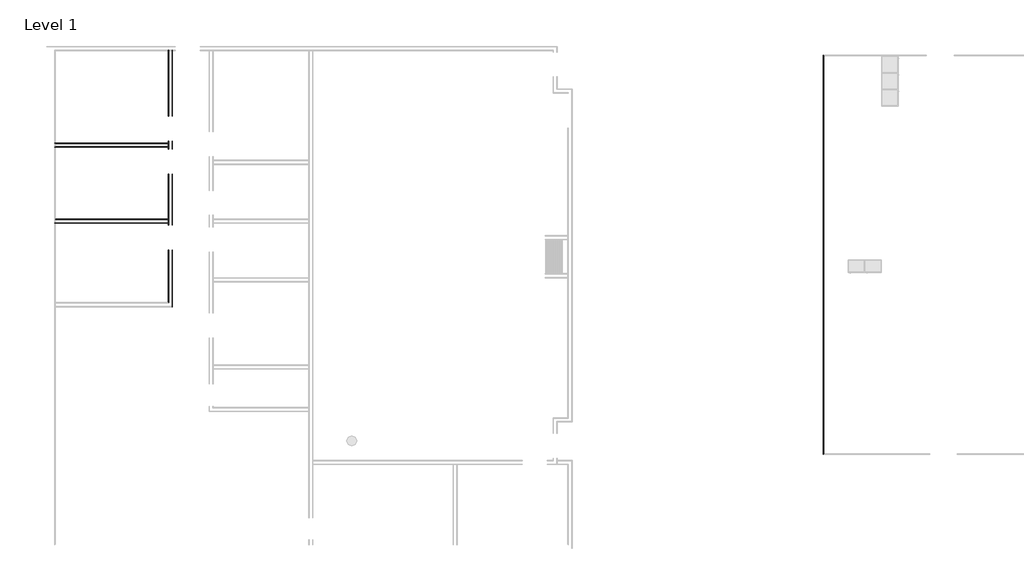
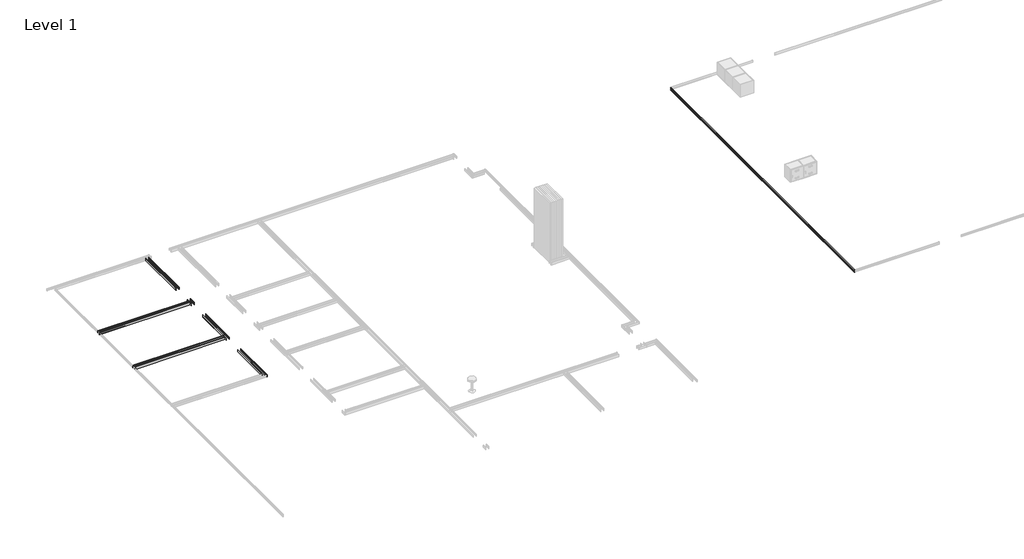
# One storey, part 40 of 51: 7 proxies.
"""IFC4 building model written with IfcOpenShell, lengths in millimetres."""

from ifc_helpers import new_model, si_unit, point, frame, frame_2d, origin, place, context, project, spatial, polyline, circle_curve, ellipse_curve, trimmed, segment, composite_curve, outline, extrude, element, save
from ifc_brep_helpers import plane_surface, cylinder_surface, advanced_brep

model = new_model("IFC4")

# Units and contexts
model_context = context("Model", 3, world=origin())
ifc_project = project(units=[si_unit("LENGTHUNIT", "METRE", prefix="MILLI")], contexts=[model_context])

# Site, building, storey
site = spatial("IfcSite", under=ifc_project)
building = spatial("IfcBuilding", under=site)
storey = spatial("IfcBuildingStorey", under=building, Name="Level 1", Elevation=0.0)

# Proxies
placement = place(None, origin())
element("IfcBuildingElementProxy", 1, Name="Wall Sweeps", at=placement, inside=storey, context=model_context, shape_type="AdvancedBrep", body=[
    advanced_brep(
    [(71618.953484, -15566.8432482, 22.1801656), (71615.5637805, -15566.8432482, 23.915644), (71615.5637805, -15566.8432482, 85.828144), (71618.953484, -15566.8432482, 87.5505545), (71618.953484, -15566.8432482, 107.95), (71607.840984, -15566.8432482, 107.95), (71604.665984, -15566.8432482, 104.775), (71604.665984, -15566.8432482, 0.0), (71618.953484, -15566.8432482, 0.0), (71618.953484, -13691.2176669, 22.1801656), (71618.953484, -13691.2176669, 0.0), (71604.665984, -13691.2176669, 0.0), (71604.665984, -13691.2176669, 104.775), (71607.840984, -13691.2176669, 107.95), (71618.953484, -13691.2176669, 107.95), (71618.953484, -13691.2176669, 87.5505545), (71615.5637805, -13691.2176669, 85.828144), (71615.5637805, -13691.2176669, 23.915644)],
    [
        (0, 1),
        (1, 2),
        (2, 3),
        (3, 4),
        (4, 5),
        (5, 6, circle_curve(frame((71607.840984, -15566.8432482, 104.775), z_axis=(0.0, -1.0, 0.0), x_axis=(-1.0, 0.0, 0.0)), 3.175)),
        (6, 7),
        (7, 8),
        (8, 0),
        (9, 10),
        (10, 11),
        (11, 12),
        (12, 13, circle_curve(frame((71607.840984, -13691.2176669, 104.775), z_axis=(0.0, 1.0, 0.0), x_axis=(-1.0, 0.0, 0.0)), 3.175)),
        (13, 14),
        (14, 15),
        (15, 16),
        (16, 17),
        (17, 9),
        (0, 9),
        (17, 1),
        (16, 2),
        (15, 3),
        (14, 4),
        (13, 5),
        (12, 6),
        (11, 7),
        (10, 8),
    ],
    [
        plane_surface(frame((71510.4330244, -15566.8432482, 0.0), z_axis=(0.0, -1.0, 0.0), x_axis=(0.0, 0.0, 1.0))),
        plane_surface(frame((71510.4330244, -13691.2176669, 0.0), z_axis=(0.0, 1.0, 0.0), x_axis=(0.0, 0.0, 1.0))),
        plane_surface(frame((71618.953484, -15566.8432482, 22.1801656), z_axis=(0.4557279043188856, 0.0, 0.8901191365346083), x_axis=(0.0, 1.0, 0.0))),
        plane_surface(frame((71615.5637805, -15566.8432482, 23.915644), z_axis=(1.0, 0.0, 0.0), x_axis=(0.0, 1.0, 0.0))),
        plane_surface(frame((71615.5637805, -15566.8432482, 85.828144), z_axis=(0.4530026868357818, 0.0, -0.8915091506650745), x_axis=(0.0, 1.0, 0.0))),
        plane_surface(frame((71618.953484, -15566.8432482, 87.5505545), z_axis=(1.0, 0.0, 0.0), x_axis=(0.0, 1.0, 0.0))),
        plane_surface(frame((71618.953484, -15566.8432482, 107.95), z_axis=(0.0, 0.0, 1.0), x_axis=(0.0, 1.0, 0.0))),
        cylinder_surface(frame((71607.840984, -15566.8432482, 104.775), z_axis=(0.0, -1.0, 0.0), x_axis=(-1.0, 0.0, 0.0)), 3.175),
        plane_surface(frame((71604.665984, -15566.8432482, 104.775), z_axis=(-1.0, 0.0, 0.0), x_axis=(0.0, 1.0, 0.0))),
        plane_surface(frame((71604.665984, -15566.8432482, 0.0), z_axis=(0.0, 0.0, -1.0), x_axis=(0.0, 1.0, 0.0))),
        plane_surface(frame((71618.953484, -15566.8432482, 0.0), z_axis=(1.0, 0.0, 0.0), x_axis=(0.0, 1.0, 0.0))),
    ],
    [
        (0, [[1, 2, 3, 4, 5, 6, 7, 8, 9]]),
        (1, [[10, 11, 12, 13, 14, 15, 16, 17, 18]]),
        (2, [[-1, 19, -18, 20]]),
        (3, [[-2, -20, -17, 21]]),
        (4, [[-3, -21, -16, 22]]),
        (5, [[-4, -22, -15, 23]]),
        (6, [[-5, -23, -14, 24]]),
        (7, [[-6, -24, -13, 25]]),
        (8, [[-7, -25, -12, 26]]),
        (9, [[-8, -26, -11, 27]]),
        (10, [[-9, -27, -10, -19]]),
    ],
),
    advanced_brep(
    [(71618.953484, -12776.8176669, 22.1801656), (71615.5637805, -12776.8176669, 23.915644), (71615.5637805, -12776.8176669, 85.828144), (71618.953484, -12776.8176669, 87.5505545), (71618.953484, -12776.8176669, 107.95), (71607.840984, -12776.8176669, 107.95), (71604.665984, -12776.8176669, 104.775), (71604.665984, -12776.8176669, 0.0), (71618.953484, -12776.8176669, 0.0), (71618.953484, -12472.0176669, 22.1801656), (71618.953484, -12472.0176669, 0.0), (71604.665984, -12472.0176669, 0.0), (71604.665984, -12472.0176669, 104.775), (71607.840984, -12472.0176669, 107.95), (71618.953484, -12472.0176669, 107.95), (71618.953484, -12472.0176669, 87.5505545), (71615.5637805, -12472.0176669, 85.828144), (71615.5637805, -12472.0176669, 23.915644)],
    [
        (0, 1),
        (1, 2),
        (2, 3),
        (3, 4),
        (4, 5),
        (5, 6, circle_curve(frame((71607.840984, -12776.8176669, 104.775), z_axis=(0.0, -1.0, 0.0), x_axis=(-1.0, 0.0, 0.0)), 3.175)),
        (6, 7),
        (7, 8),
        (8, 0),
        (9, 10),
        (10, 11),
        (11, 12),
        (12, 13, circle_curve(frame((71607.840984, -12472.0176669, 104.775), z_axis=(0.0, 1.0, 0.0), x_axis=(-1.0, 0.0, 0.0)), 3.175)),
        (13, 14),
        (14, 15),
        (15, 16),
        (16, 17),
        (17, 9),
        (0, 9),
        (17, 1),
        (16, 2),
        (15, 3),
        (14, 4),
        (13, 5),
        (12, 6),
        (11, 7),
        (10, 8),
    ],
    [
        plane_surface(frame((71510.4330244, -12776.8176669, 0.0), z_axis=(0.0, -1.0, 0.0), x_axis=(0.0, 0.0, 1.0))),
        plane_surface(frame((71510.4330244, -12472.0176669, 0.0), z_axis=(0.0, 1.0, 0.0), x_axis=(0.0, 0.0, 1.0))),
        plane_surface(frame((71618.953484, -12776.8176669, 22.1801656), z_axis=(0.4557279043188856, 0.0, 0.8901191365346083), x_axis=(0.0, 1.0, 0.0))),
        plane_surface(frame((71615.5637805, -12776.8176669, 23.915644), z_axis=(1.0, 0.0, 0.0), x_axis=(0.0, 1.0, 0.0))),
        plane_surface(frame((71615.5637805, -12776.8176669, 85.828144), z_axis=(0.4530026868357818, 0.0, -0.8915091506650745), x_axis=(0.0, 1.0, 0.0))),
        plane_surface(frame((71618.953484, -12776.8176669, 87.5505545), z_axis=(1.0, 0.0, 0.0), x_axis=(0.0, 1.0, 0.0))),
        plane_surface(frame((71618.953484, -12776.8176669, 107.95), z_axis=(0.0, 0.0, 1.0), x_axis=(0.0, 1.0, 0.0))),
        cylinder_surface(frame((71607.840984, -12776.8176669, 104.775), z_axis=(0.0, -1.0, 0.0), x_axis=(-1.0, 0.0, 0.0)), 3.175),
        plane_surface(frame((71604.665984, -12776.8176669, 104.775), z_axis=(-1.0, 0.0, 0.0), x_axis=(0.0, 1.0, 0.0))),
        plane_surface(frame((71604.665984, -12776.8176669, 0.0), z_axis=(0.0, 0.0, -1.0), x_axis=(0.0, 1.0, 0.0))),
        plane_surface(frame((71618.953484, -12776.8176669, 0.0), z_axis=(1.0, 0.0, 0.0), x_axis=(0.0, 1.0, 0.0))),
    ],
    [
        (0, [[1, 2, 3, 4, 5, 6, 7, 8, 9]]),
        (1, [[10, 11, 12, 13, 14, 15, 16, 17, 18]]),
        (2, [[-1, 19, -18, 20]]),
        (3, [[-2, -20, -17, 21]]),
        (4, [[-3, -21, -16, 22]]),
        (5, [[-4, -22, -15, 23]]),
        (6, [[-5, -23, -14, 24]]),
        (7, [[-6, -24, -13, 25]]),
        (8, [[-7, -25, -12, 26]]),
        (9, [[-8, -26, -11, 27]]),
        (10, [[-9, -27, -10, -19]]),
    ],
),
    advanced_brep(
    [(71618.953484, -11557.6176669, 22.1801656), (71615.5637805, -11557.6176669, 23.915644), (71615.5637805, -11557.6176669, 85.828144), (71618.953484, -11557.6176669, 87.5505545), (71618.953484, -11557.6176669, 107.95), (71607.840984, -11557.6176669, 107.95), (71604.665984, -11557.6176669, 104.775), (71604.665984, -11557.6176669, 0.0), (71618.953484, -11557.6176669, 0.0), (71618.953484, -9141.4426669, 22.1801656), (71618.953484, -9141.4426669, 0.0), (71604.665984, -9141.4426669, 0.0), (71604.665984, -9141.4426669, 104.775), (71607.840984, -9141.4426669, 107.95), (71618.953484, -9141.4426669, 107.95), (71618.953484, -9141.4426669, 87.5505545), (71615.5637805, -9141.4426669, 85.828144), (71615.5637805, -9141.4426669, 23.915644)],
    [
        (0, 1),
        (1, 2),
        (2, 3),
        (3, 4),
        (4, 5),
        (5, 6, circle_curve(frame((71607.840984, -11557.6176669, 104.775), z_axis=(0.0, -1.0, 0.0), x_axis=(-1.0, 0.0, 0.0)), 3.175)),
        (6, 7),
        (7, 8),
        (8, 0),
        (9, 10),
        (10, 11),
        (11, 12),
        (12, 13, circle_curve(frame((71607.840984, -9141.4426669, 104.775), z_axis=(0.0, 1.0, 0.0), x_axis=(-1.0, 0.0, 0.0)), 3.175)),
        (13, 14),
        (14, 15),
        (15, 16),
        (16, 17),
        (17, 9),
        (0, 9),
        (17, 1),
        (16, 2),
        (15, 3),
        (14, 4),
        (13, 5),
        (12, 6),
        (11, 7),
        (10, 8),
    ],
    [
        plane_surface(frame((71510.4330244, -11557.6176669, 0.0), z_axis=(0.0, -1.0, 0.0), x_axis=(0.0, 0.0, 1.0))),
        plane_surface(frame((71510.4330244, -9141.4426669, 0.0), z_axis=(0.0, 1.0, 0.0), x_axis=(0.0, 0.0, 1.0))),
        plane_surface(frame((71618.953484, -11557.6176669, 22.1801656), z_axis=(0.4557279043188856, 0.0, 0.8901191365346083), x_axis=(0.0, 1.0, 0.0))),
        plane_surface(frame((71615.5637805, -11557.6176669, 23.915644), z_axis=(1.0, 0.0, 0.0), x_axis=(0.0, 1.0, 0.0))),
        plane_surface(frame((71615.5637805, -11557.6176669, 85.828144), z_axis=(0.4530026868357818, 0.0, -0.8915091506650745), x_axis=(0.0, 1.0, 0.0))),
        plane_surface(frame((71618.953484, -11557.6176669, 87.5505545), z_axis=(1.0, 0.0, 0.0), x_axis=(0.0, 1.0, 0.0))),
        plane_surface(frame((71618.953484, -11557.6176669, 107.95), z_axis=(0.0, 0.0, 1.0), x_axis=(0.0, 1.0, 0.0))),
        cylinder_surface(frame((71607.840984, -11557.6176669, 104.775), z_axis=(0.0, -1.0, 0.0), x_axis=(-1.0, 0.0, 0.0)), 3.175),
        plane_surface(frame((71604.665984, -11557.6176669, 104.775), z_axis=(-1.0, 0.0, 0.0), x_axis=(0.0, 1.0, 0.0))),
        plane_surface(frame((71604.665984, -11557.6176669, 0.0), z_axis=(0.0, 0.0, -1.0), x_axis=(0.0, 1.0, 0.0))),
        plane_surface(frame((71618.953484, -11557.6176669, 0.0), z_axis=(1.0, 0.0, 0.0), x_axis=(0.0, 1.0, 0.0))),
    ],
    [
        (0, [[1, 2, 3, 4, 5, 6, 7, 8, 9]]),
        (1, [[10, 11, 12, 13, 14, 15, 16, 17, 18]]),
        (2, [[-1, 19, -18, 20]]),
        (3, [[-2, -20, -17, 21]]),
        (4, [[-3, -21, -16, 22]]),
        (5, [[-4, -22, -15, 23]]),
        (6, [[-5, -23, -14, 24]]),
        (7, [[-6, -24, -13, 25]]),
        (8, [[-7, -25, -12, 26]]),
        (9, [[-8, -26, -11, 27]]),
        (10, [[-9, -27, -10, -19]]),
    ],
),
    advanced_brep(
    [(71618.953484, -18426.7301669, 22.1801656), (71615.5637805, -18423.3404634, 23.915644), (71615.5637805, -18423.3404634, 85.828144), (71618.953484, -18426.7301669, 87.5505545), (71618.953484, -18426.7301669, 107.95), (71607.840984, -18415.6176669, 107.95), (71604.665984, -18412.4426669, 104.775), (71604.665984, -18412.4426669, 0.0), (71618.953484, -18426.7301669, 0.0), (71618.953484, -16481.2432482, 22.1801656), (71618.953484, -16481.2432482, 0.0), (71604.665984, -16481.2432482, 0.0), (71604.665984, -16481.2432482, 104.775), (71607.840984, -16481.2432482, 107.95), (71618.953484, -16481.2432482, 107.95), (71618.953484, -16481.2432482, 87.5505545), (71615.5637805, -16481.2432482, 85.828144), (71615.5637805, -16481.2432482, 23.915644)],
    [
        (0, 1),
        (1, 2),
        (2, 3),
        (3, 4),
        (4, 5),
        (5, 6, ellipse_curve(frame((71607.840984, -18415.6176669, 104.775), z_axis=(-0.7071067811865476, -0.7071067811865476, 0.0), x_axis=(0.7071067811865477, -0.7071067811865475, 0.0)), 4.4901281, 3.175)),
        (6, 7),
        (7, 8),
        (8, 0),
        (9, 10),
        (10, 11),
        (11, 12),
        (12, 13, circle_curve(frame((71607.840984, -16481.2432482, 104.775), z_axis=(0.0, 1.0, 0.0), x_axis=(-1.0, 0.0, 0.0)), 3.175)),
        (13, 14),
        (14, 15),
        (15, 16),
        (16, 17),
        (17, 9),
        (0, 9),
        (17, 1),
        (16, 2),
        (15, 3),
        (14, 4),
        (13, 5),
        (12, 6),
        (11, 7),
        (10, 8),
    ],
    [
        plane_surface(frame((71618.953484, -18426.7301669, -304.8), z_axis=(-0.7071067811865476, -0.7071067811865476, 0.0), x_axis=(-0.7071067811865476, 0.7071067811865476, 0.0))),
        plane_surface(frame((71510.4330244, -16481.2432482, 0.0), z_axis=(0.0, 1.0, 0.0), x_axis=(0.0, 0.0, 1.0))),
        plane_surface(frame((71618.953484, -18426.7301669, 22.1801656), z_axis=(0.4557279043188856, 0.0, 0.8901191365346083), x_axis=(0.0, 1.0, 0.0))),
        plane_surface(frame((71615.5637805, -18423.3404634, 23.915644), z_axis=(1.0, 0.0, 0.0), x_axis=(0.0, 1.0, 0.0))),
        plane_surface(frame((71615.5637805, -18423.3404634, 85.828144), z_axis=(0.4530026868357818, 0.0, -0.8915091506650745), x_axis=(0.0, 1.0, 0.0))),
        plane_surface(frame((71618.953484, -18426.7301669, 87.5505545), z_axis=(1.0, 0.0, 0.0), x_axis=(0.0, 1.0, 0.0))),
        plane_surface(frame((71618.953484, -18426.7301669, 107.95), z_axis=(0.0, 0.0, 1.0), x_axis=(0.0, 1.0, 0.0))),
        cylinder_surface(frame((71607.840984, -18426.7301669, 104.775), z_axis=(0.0, -1.0, 0.0), x_axis=(-1.0, 0.0, 0.0)), 3.175),
        plane_surface(frame((71604.665984, -18412.4426669, 104.775), z_axis=(-1.0, 0.0, 0.0), x_axis=(0.0, 1.0, 0.0))),
        plane_surface(frame((71604.665984, -18412.4426669, 0.0), z_axis=(0.0, 0.0, -1.0), x_axis=(0.0, 1.0, 0.0))),
        plane_surface(frame((71618.953484, -18426.7301669, 0.0), z_axis=(1.0, 0.0, 0.0), x_axis=(0.0, 1.0, 0.0))),
    ],
    [
        (0, [[1, 2, 3, 4, 5, 6, 7, 8, 9]]),
        (1, [[10, 11, 12, 13, 14, 15, 16, 17, 18]]),
        (2, [[-1, 19, -18, 20]]),
        (3, [[-2, -20, -17, 21]]),
        (4, [[-3, -21, -16, 22]]),
        (5, [[-4, -22, -15, 23]]),
        (6, [[-5, -23, -14, 24]]),
        (7, [[-6, -24, -13, 25]]),
        (8, [[-7, -25, -12, 26]]),
        (9, [[-8, -26, -11, 27]]),
        (10, [[-9, -27, -10, -19]]),
    ],
),
])
element("IfcBuildingElementProxy", 2, Name="Wall Sweeps", at=placement, inside=storey, context=model_context, shape_type="SweptSolid", body=[
    extrude(outline(composite_curve([segment(polyline([(-12686.3301669, 22.1801656), (-12686.3301669, 0.0), (-12700.6176669, 0.0), (-12700.6176669, 104.775)]), True, "CONTINUOUS"), segment(trimmed(circle_curve(frame_2d((-12697.4426669, 104.775)), 3.175), [point((-12700.6176669, 104.775))], [point((-12697.4426669, 107.95))], False, "CARTESIAN"), True, "CONTINUOUS"), segment(polyline([(-12697.4426669, 107.95), (-12686.3301669, 107.95), (-12686.3301669, 87.5505545), (-12689.7198704, 85.828144), (-12689.7198704, 23.915644), (-12686.3301669, 22.1801656)]), True, "CONTINUOUS")], self_intersect=False)), frame((67441.2021392, 0.0, 0.0), z_axis=(1.0, 0.0, 0.0), x_axis=(0.0, 1.0, 0.0)), (0.0, 0.0, 1.0), 4177.7513449),
])
element("IfcBuildingElementProxy", 3, Name="Wall Sweeps", at=placement, inside=storey, context=model_context, shape_type="SweptSolid", body=[
    extrude(outline(composite_curve([segment(polyline([(-15480.3301669, 22.1801656), (-15480.3301669, 0.0), (-15494.6176669, 0.0), (-15494.6176669, 104.775)]), True, "CONTINUOUS"), segment(trimmed(circle_curve(frame_2d((-15491.4426669, 104.775)), 3.175), [point((-15494.6176669, 104.775))], [point((-15491.4426669, 107.95))], False, "CARTESIAN"), True, "CONTINUOUS"), segment(polyline([(-15491.4426669, 107.95), (-15480.3301669, 107.95), (-15480.3301669, 87.5505545), (-15483.7198704, 85.828144), (-15483.7198704, 23.915644), (-15480.3301669, 22.1801656)]), True, "CONTINUOUS")], self_intersect=False)), frame((67441.2021392, 0.0, 0.0), z_axis=(1.0, 0.0, 0.0), x_axis=(0.0, 1.0, 0.0)), (0.0, 0.0, 1.0), 4177.7513449),
])
element("IfcBuildingElementProxy", 4, Name="Wall Sweeps", at=placement, inside=storey, context=model_context, shape_type="AdvancedBrep", body=[
    advanced_brep(
    [(71742.778484, -12776.8176669, 22.1801656), (71742.778484, -12776.8176669, 0.0), (71757.065984, -12776.8176669, 0.0), (71757.065984, -12776.8176669, 104.775), (71753.890984, -12776.8176669, 107.95), (71742.778484, -12776.8176669, 107.95), (71742.778484, -12776.8176669, 87.5505545), (71746.1681875, -12776.8176669, 85.828144), (71746.1681875, -12776.8176669, 23.915644), (71742.778484, -12472.0176669, 22.1801656), (71746.1681875, -12472.0176669, 23.915644), (71746.1681875, -12472.0176669, 85.828144), (71742.778484, -12472.0176669, 87.5505545), (71742.778484, -12472.0176669, 107.95), (71753.890984, -12472.0176669, 107.95), (71757.065984, -12472.0176669, 104.775), (71757.065984, -12472.0176669, 0.0), (71742.778484, -12472.0176669, 0.0)],
    [
        (0, 1),
        (1, 2),
        (2, 3),
        (3, 4, circle_curve(frame((71753.890984, -12776.8176669, 104.775), z_axis=(0.0, -1.0, 0.0), x_axis=(1.0, 0.0, 0.0)), 3.175)),
        (4, 5),
        (5, 6),
        (6, 7),
        (7, 8),
        (8, 0),
        (9, 10),
        (10, 11),
        (11, 12),
        (12, 13),
        (13, 14),
        (14, 15, circle_curve(frame((71753.890984, -12472.0176669, 104.775), z_axis=(0.0, 1.0, 0.0), x_axis=(1.0, 0.0, 0.0)), 3.175)),
        (15, 16),
        (16, 17),
        (17, 9),
        (0, 9),
        (17, 1),
        (16, 2),
        (15, 3),
        (14, 4),
        (13, 5),
        (12, 6),
        (11, 7),
        (10, 8),
    ],
    [
        plane_surface(frame((71634.2580244, -12776.8176669, 0.0), z_axis=(0.0, -1.0, 0.0), x_axis=(0.0, 0.0, 1.0))),
        plane_surface(frame((71634.2580244, -12472.0176669, 0.0), z_axis=(0.0, 1.0, 0.0), x_axis=(0.0, 0.0, 1.0))),
        plane_surface(frame((71742.778484, -12776.8176669, 22.1801656), z_axis=(-1.0, 0.0, 0.0), x_axis=(0.0, 1.0, 0.0))),
        plane_surface(frame((71742.778484, -12776.8176669, 0.0), z_axis=(0.0, 0.0, -1.0), x_axis=(0.0, 1.0, 0.0))),
        plane_surface(frame((71757.065984, -12776.8176669, 0.0), z_axis=(1.0, 0.0, 0.0), x_axis=(0.0, 1.0, 0.0))),
        cylinder_surface(frame((71753.890984, -12776.8176669, 104.775), z_axis=(0.0, -1.0, 0.0), x_axis=(1.0, 0.0, 0.0)), 3.175),
        plane_surface(frame((71753.890984, -12776.8176669, 107.95), z_axis=(0.0, 0.0, 1.0), x_axis=(0.0, 1.0, 0.0))),
        plane_surface(frame((71742.778484, -12776.8176669, 107.95), z_axis=(-1.0, 0.0, 0.0), x_axis=(0.0, 1.0, 0.0))),
        plane_surface(frame((71742.778484, -12776.8176669, 87.5505545), z_axis=(-0.4530026868357818, 0.0, -0.8915091506650745), x_axis=(0.0, 1.0, 0.0))),
        plane_surface(frame((71746.1681875, -12776.8176669, 85.828144), z_axis=(-1.0, 0.0, 0.0), x_axis=(0.0, 1.0, 0.0))),
        plane_surface(frame((71746.1681875, -12776.8176669, 23.915644), z_axis=(-0.4557279043188856, 0.0, 0.8901191365346083), x_axis=(0.0, 1.0, 0.0))),
    ],
    [
        (0, [[1, 2, 3, 4, 5, 6, 7, 8, 9]]),
        (1, [[10, 11, 12, 13, 14, 15, 16, 17, 18]]),
        (2, [[-1, 19, -18, 20]]),
        (3, [[-2, -20, -17, 21]]),
        (4, [[-3, -21, -16, 22]]),
        (5, [[-4, -22, -15, 23]]),
        (6, [[-5, -23, -14, 24]]),
        (7, [[-6, -24, -13, 25]]),
        (8, [[-7, -25, -12, 26]]),
        (9, [[-8, -26, -11, 27]]),
        (10, [[-9, -27, -10, -19]]),
    ],
),
    advanced_brep(
    [(71742.778484, -15566.8432482, 22.1801656), (71742.778484, -15566.8432482, 0.0), (71757.065984, -15566.8432482, 0.0), (71757.065984, -15566.8432482, 104.775), (71753.890984, -15566.8432482, 107.95), (71742.778484, -15566.8432482, 107.95), (71742.778484, -15566.8432482, 87.5505545), (71746.1681875, -15566.8432482, 85.828144), (71746.1681875, -15566.8432482, 23.915644), (71742.778484, -13691.2176669, 22.1801656), (71746.1681875, -13691.2176669, 23.915644), (71746.1681875, -13691.2176669, 85.828144), (71742.778484, -13691.2176669, 87.5505545), (71742.778484, -13691.2176669, 107.95), (71753.890984, -13691.2176669, 107.95), (71757.065984, -13691.2176669, 104.775), (71757.065984, -13691.2176669, 0.0), (71742.778484, -13691.2176669, 0.0)],
    [
        (0, 1),
        (1, 2),
        (2, 3),
        (3, 4, circle_curve(frame((71753.890984, -15566.8432482, 104.775), z_axis=(0.0, -1.0, 0.0), x_axis=(1.0, 0.0, 0.0)), 3.175)),
        (4, 5),
        (5, 6),
        (6, 7),
        (7, 8),
        (8, 0),
        (9, 10),
        (10, 11),
        (11, 12),
        (12, 13),
        (13, 14),
        (14, 15, circle_curve(frame((71753.890984, -13691.2176669, 104.775), z_axis=(0.0, 1.0, 0.0), x_axis=(1.0, 0.0, 0.0)), 3.175)),
        (15, 16),
        (16, 17),
        (17, 9),
        (0, 9),
        (17, 1),
        (16, 2),
        (15, 3),
        (14, 4),
        (13, 5),
        (12, 6),
        (11, 7),
        (10, 8),
    ],
    [
        plane_surface(frame((71634.2580244, -15566.8432482, 0.0), z_axis=(0.0, -1.0, 0.0), x_axis=(0.0, 0.0, 1.0))),
        plane_surface(frame((71634.2580244, -13691.2176669, 0.0), z_axis=(0.0, 1.0, 0.0), x_axis=(0.0, 0.0, 1.0))),
        plane_surface(frame((71742.778484, -15566.8432482, 22.1801656), z_axis=(-1.0, 0.0, 0.0), x_axis=(0.0, 1.0, 0.0))),
        plane_surface(frame((71742.778484, -15566.8432482, 0.0), z_axis=(0.0, 0.0, -1.0), x_axis=(0.0, 1.0, 0.0))),
        plane_surface(frame((71757.065984, -15566.8432482, 0.0), z_axis=(1.0, 0.0, 0.0), x_axis=(0.0, 1.0, 0.0))),
        cylinder_surface(frame((71753.890984, -15566.8432482, 104.775), z_axis=(0.0, -1.0, 0.0), x_axis=(1.0, 0.0, 0.0)), 3.175),
        plane_surface(frame((71753.890984, -15566.8432482, 107.95), z_axis=(0.0, 0.0, 1.0), x_axis=(0.0, 1.0, 0.0))),
        plane_surface(frame((71742.778484, -15566.8432482, 107.95), z_axis=(-1.0, 0.0, 0.0), x_axis=(0.0, 1.0, 0.0))),
        plane_surface(frame((71742.778484, -15566.8432482, 87.5505545), z_axis=(-0.4530026868357818, 0.0, -0.8915091506650745), x_axis=(0.0, 1.0, 0.0))),
        plane_surface(frame((71746.1681875, -15566.8432482, 85.828144), z_axis=(-1.0, 0.0, 0.0), x_axis=(0.0, 1.0, 0.0))),
        plane_surface(frame((71746.1681875, -15566.8432482, 23.915644), z_axis=(-0.4557279043188856, 0.0, 0.8901191365346083), x_axis=(0.0, 1.0, 0.0))),
    ],
    [
        (0, [[1, 2, 3, 4, 5, 6, 7, 8, 9]]),
        (1, [[10, 11, 12, 13, 14, 15, 16, 17, 18]]),
        (2, [[-1, 19, -18, 20]]),
        (3, [[-2, -20, -17, 21]]),
        (4, [[-3, -21, -16, 22]]),
        (5, [[-4, -22, -15, 23]]),
        (6, [[-5, -23, -14, 24]]),
        (7, [[-6, -24, -13, 25]]),
        (8, [[-7, -25, -12, 26]]),
        (9, [[-8, -26, -11, 27]]),
        (10, [[-9, -27, -10, -19]]),
    ],
),
    advanced_brep(
    [(71742.778484, -18550.5551669, 22.1801656), (71742.778484, -18550.5551669, 0.0), (71757.065984, -18564.8426669, 0.0), (71757.065984, -18564.8426669, 104.775), (71753.890984, -18561.6676669, 107.95), (71742.778484, -18550.5551669, 107.95), (71742.778484, -18550.5551669, 87.5505545), (71746.1681875, -18553.9448704, 85.828144), (71746.1681875, -18553.9448704, 23.915644), (71742.778484, -16481.2432482, 22.1801656), (71746.1681875, -16481.2432482, 23.915644), (71746.1681875, -16481.2432482, 85.828144), (71742.778484, -16481.2432482, 87.5505545), (71742.778484, -16481.2432482, 107.95), (71753.890984, -16481.2432482, 107.95), (71757.065984, -16481.2432482, 104.775), (71757.065984, -16481.2432482, 0.0), (71742.778484, -16481.2432482, 0.0), (71742.778484, -18426.7301669, 0.0)],
    [
        (0, 1),
        (1, 2),
        (2, 3),
        (3, 4, ellipse_curve(frame((71753.890984, -18561.6676669, 104.775), z_axis=(-0.7071067811865476, -0.7071067811865476, 0.0), x_axis=(0.7071067811865477, -0.7071067811865475, 0.0)), 4.4901281, 3.175)),
        (4, 5),
        (5, 6),
        (6, 7),
        (7, 8),
        (8, 0),
        (9, 10),
        (10, 11),
        (11, 12),
        (12, 13),
        (13, 14),
        (14, 15, circle_curve(frame((71753.890984, -16481.2432482, 104.775), z_axis=(0.0, 1.0, 0.0), x_axis=(1.0, 0.0, 0.0)), 3.175)),
        (15, 16),
        (16, 17),
        (17, 9),
        (0, 9),
        (17, 18),
        (18, 1),
        (16, 2),
        (15, 3),
        (14, 4),
        (13, 5),
        (12, 6),
        (11, 7),
        (10, 8),
    ],
    [
        plane_surface(frame((71742.778484, -18550.5551669, -304.8), z_axis=(-0.7071067811865476, -0.7071067811865476, 0.0), x_axis=(-0.7071067811865476, 0.7071067811865476, 0.0))),
        plane_surface(frame((71634.2580244, -16481.2432482, 0.0), z_axis=(0.0, 1.0, 0.0), x_axis=(0.0, 0.0, 1.0))),
        plane_surface(frame((71742.778484, -18550.5551669, 22.1801656), z_axis=(-1.0, 0.0, 0.0), x_axis=(0.0, 1.0, 0.0))),
        plane_surface(frame((71742.778484, -18550.5551669, 0.0), z_axis=(0.0, 0.0, -1.0), x_axis=(0.0, 1.0, 0.0))),
        plane_surface(frame((71757.065984, -18564.8426669, 0.0), z_axis=(1.0, 0.0, 0.0), x_axis=(0.0, 1.0, 0.0))),
        cylinder_surface(frame((71753.890984, -18550.5551669, 104.775), z_axis=(0.0, -1.0, 0.0), x_axis=(1.0, 0.0, 0.0)), 3.175),
        plane_surface(frame((71753.890984, -18561.6676669, 107.95), z_axis=(0.0, 0.0, 1.0), x_axis=(0.0, 1.0, 0.0))),
        plane_surface(frame((71742.778484, -18550.5551669, 107.95), z_axis=(-1.0, 0.0, 0.0), x_axis=(0.0, 1.0, 0.0))),
        plane_surface(frame((71742.778484, -18550.5551669, 87.5505545), z_axis=(-0.4530026868357818, 0.0, -0.8915091506650745), x_axis=(0.0, 1.0, 0.0))),
        plane_surface(frame((71746.1681875, -18553.9448704, 85.828144), z_axis=(-1.0, 0.0, 0.0), x_axis=(0.0, 1.0, 0.0))),
        plane_surface(frame((71746.1681875, -18553.9448704, 23.915644), z_axis=(-0.4557279043188856, 0.0, 0.8901191365346083), x_axis=(0.0, 1.0, 0.0))),
    ],
    [
        (0, [[1, 2, 3, 4, 5, 6, 7, 8, 9]]),
        (1, [[10, 11, 12, 13, 14, 15, 16, 17, 18]]),
        (2, [[-1, 19, -18, 20, 21]]),
        (3, [[-2, -21, -20, -17, 22]]),
        (4, [[-3, -22, -16, 23]]),
        (5, [[-4, -23, -15, 24]]),
        (6, [[-5, -24, -14, 25]]),
        (7, [[-6, -25, -13, 26]]),
        (8, [[-7, -26, -12, 27]]),
        (9, [[-8, -27, -11, 28]]),
        (10, [[-9, -28, -10, -19]]),
    ],
),
    advanced_brep(
    [(71742.778484, -11557.6176669, 22.1801656), (71742.778484, -11557.6176669, 0.0), (71757.065984, -11557.6176669, 0.0), (71757.065984, -11557.6176669, 104.775), (71753.890984, -11557.6176669, 107.95), (71742.778484, -11557.6176669, 107.95), (71742.778484, -11557.6176669, 87.5505545), (71746.1681875, -11557.6176669, 85.828144), (71746.1681875, -11557.6176669, 23.915644), (71742.778484, -9141.4426669, 22.1801656), (71746.1681875, -9141.4426669, 23.915644), (71746.1681875, -9141.4426669, 85.828144), (71742.778484, -9141.4426669, 87.5505545), (71742.778484, -9141.4426669, 107.95), (71753.890984, -9141.4426669, 107.95), (71757.065984, -9141.4426669, 104.775), (71757.065984, -9141.4426669, 0.0), (71742.778484, -9141.4426669, 0.0)],
    [
        (0, 1),
        (1, 2),
        (2, 3),
        (3, 4, circle_curve(frame((71753.890984, -11557.6176669, 104.775), z_axis=(0.0, -1.0, 0.0), x_axis=(1.0, 0.0, 0.0)), 3.175)),
        (4, 5),
        (5, 6),
        (6, 7),
        (7, 8),
        (8, 0),
        (9, 10),
        (10, 11),
        (11, 12),
        (12, 13),
        (13, 14),
        (14, 15, circle_curve(frame((71753.890984, -9141.4426669, 104.775), z_axis=(0.0, 1.0, 0.0), x_axis=(1.0, 0.0, 0.0)), 3.175)),
        (15, 16),
        (16, 17),
        (17, 9),
        (0, 9),
        (17, 1),
        (16, 2),
        (15, 3),
        (14, 4),
        (13, 5),
        (12, 6),
        (11, 7),
        (10, 8),
    ],
    [
        plane_surface(frame((71634.2580244, -11557.6176669, 0.0), z_axis=(0.0, -1.0, 0.0), x_axis=(0.0, 0.0, 1.0))),
        plane_surface(frame((71634.2580244, -9141.4426669, 0.0), z_axis=(0.0, 1.0, 0.0), x_axis=(0.0, 0.0, 1.0))),
        plane_surface(frame((71742.778484, -11557.6176669, 22.1801656), z_axis=(-1.0, 0.0, 0.0), x_axis=(0.0, 1.0, 0.0))),
        plane_surface(frame((71742.778484, -11557.6176669, 0.0), z_axis=(0.0, 0.0, -1.0), x_axis=(0.0, 1.0, 0.0))),
        plane_surface(frame((71757.065984, -11557.6176669, 0.0), z_axis=(1.0, 0.0, 0.0), x_axis=(0.0, 1.0, 0.0))),
        cylinder_surface(frame((71753.890984, -11557.6176669, 104.775), z_axis=(0.0, -1.0, 0.0), x_axis=(1.0, 0.0, 0.0)), 3.175),
        plane_surface(frame((71753.890984, -11557.6176669, 107.95), z_axis=(0.0, 0.0, 1.0), x_axis=(0.0, 1.0, 0.0))),
        plane_surface(frame((71742.778484, -11557.6176669, 107.95), z_axis=(-1.0, 0.0, 0.0), x_axis=(0.0, 1.0, 0.0))),
        plane_surface(frame((71742.778484, -11557.6176669, 87.5505545), z_axis=(-0.4530026868357818, 0.0, -0.8915091506650745), x_axis=(0.0, 1.0, 0.0))),
        plane_surface(frame((71746.1681875, -11557.6176669, 85.828144), z_axis=(-1.0, 0.0, 0.0), x_axis=(0.0, 1.0, 0.0))),
        plane_surface(frame((71746.1681875, -11557.6176669, 23.915644), z_axis=(-0.4557279043188856, 0.0, 0.8901191365346083), x_axis=(0.0, 1.0, 0.0))),
    ],
    [
        (0, [[1, 2, 3, 4, 5, 6, 7, 8, 9]]),
        (1, [[10, 11, 12, 13, 14, 15, 16, 17, 18]]),
        (2, [[-1, 19, -18, 20]]),
        (3, [[-2, -20, -17, 21]]),
        (4, [[-3, -21, -16, 22]]),
        (5, [[-4, -22, -15, 23]]),
        (6, [[-5, -23, -14, 24]]),
        (7, [[-6, -24, -13, 25]]),
        (8, [[-7, -25, -12, 26]]),
        (9, [[-8, -26, -11, 27]]),
        (10, [[-9, -27, -10, -19]]),
    ],
),
])
element("IfcBuildingElementProxy", 5, Name="Wall Sweeps", at=placement, inside=storey, context=model_context, shape_type="SweptSolid", body=[
    extrude(outline(composite_curve([segment(polyline([(-12562.5051669, 22.1801656), (-12559.1154634, 23.915644), (-12559.1154634, 85.828144), (-12562.5051669, 87.5505545), (-12562.5051669, 107.95), (-12551.3926669, 107.95)]), True, "CONTINUOUS"), segment(trimmed(circle_curve(frame_2d((-12551.3926669, 104.775)), 3.175), [point((-12551.3926669, 107.95))], [point((-12548.2176669, 104.775))], False, "CARTESIAN"), True, "CONTINUOUS"), segment(polyline([(-12548.2176669, 104.775), (-12548.2176669, 0.0), (-12562.5051669, 0.0), (-12562.5051669, 22.1801656)]), True, "CONTINUOUS")], self_intersect=False)), frame((67441.2021392, 0.0, 0.0), z_axis=(1.0, 0.0, 0.0), x_axis=(0.0, 1.0, 0.0)), (0.0, 0.0, 1.0), 4177.7513449),
])
element("IfcBuildingElementProxy", 6, Name="Wall Sweeps", at=placement, inside=storey, context=model_context, shape_type="SweptSolid", body=[
    extrude(outline(composite_curve([segment(polyline([(-15356.5051669, 22.1801656), (-15353.1154634, 23.915644), (-15353.1154634, 85.828144), (-15356.5051669, 87.5505545), (-15356.5051669, 107.95), (-15345.3926669, 107.95)]), True, "CONTINUOUS"), segment(trimmed(circle_curve(frame_2d((-15345.3926669, 104.775)), 3.175), [point((-15345.3926669, 107.95))], [point((-15342.2176669, 104.775))], False, "CARTESIAN"), True, "CONTINUOUS"), segment(polyline([(-15342.2176669, 104.775), (-15342.2176669, 0.0), (-15356.5051669, 0.0), (-15356.5051669, 22.1801656)]), True, "CONTINUOUS")], self_intersect=False)), frame((67441.2021392, 0.0, 0.0), z_axis=(1.0, 0.0, 0.0), x_axis=(0.0, 1.0, 0.0)), (0.0, 0.0, 1.0), 4177.7513449),
])
element("IfcBuildingElementProxy", 7, Name="Wall Sweeps", at=placement, inside=storey, context=model_context, shape_type="AdvancedBrep", body=[
    advanced_brep(
    [(95647.353484, -9322.4605846, 22.1801656), (95650.7431875, -9325.8502881, 23.915644), (95650.7431875, -9325.8502881, 85.828144), (95647.353484, -9322.4605846, 87.5505545), (95647.353484, -9322.4605846, 107.95), (95658.465984, -9333.5730846, 107.95), (95661.640984, -9336.7480846, 104.775), (95661.640984, -9336.7480846, 0.0), (95647.353484, -9322.4605846, 0.0), (95647.353484, -23986.1980846, 22.1801656), (95647.353484, -23986.1980846, 0.0), (95661.640984, -23971.9105846, 0.0), (95661.640984, -23971.9105846, 104.775), (95658.465984, -23975.0855846, 107.95), (95647.353484, -23986.1980846, 107.95), (95647.353484, -23986.1980846, 87.5505545), (95650.7431875, -23982.8083812, 85.828144), (95650.7431875, -23982.8083812, 23.915644)],
    [
        (0, 1),
        (1, 2),
        (2, 3),
        (3, 4),
        (4, 5),
        (5, 6, ellipse_curve(frame((95658.465984, -9333.5730846, 104.775), z_axis=(0.7071067811865458, 0.7071067811865493, 0.0), x_axis=(-0.7071067811865493, 0.7071067811865457, 0.0)), 4.4901281, 3.175)),
        (6, 7),
        (7, 8),
        (8, 0),
        (9, 10),
        (10, 11),
        (11, 12),
        (12, 13, ellipse_curve(frame((95658.465984, -23975.0855846, 104.775), z_axis=(0.7071067811865405, -0.7071067811865547, 0.0), x_axis=(0.7071067811865546, 0.7071067811865404, 0.0)), 4.4901281, 3.175)),
        (13, 14),
        (14, 15),
        (15, 16),
        (16, 17),
        (17, 9),
        (0, 9),
        (17, 1),
        (16, 2),
        (15, 3),
        (14, 4),
        (13, 5),
        (12, 6),
        (11, 7),
        (10, 8),
    ],
    [
        plane_surface(frame((95647.353484, -9322.4605846, -304.8), z_axis=(0.7071067811865458, 0.7071067811865493, 0.0), x_axis=(0.7071067811865493, -0.7071067811865458, 0.0))),
        plane_surface(frame((95647.353484, -23986.1980846, -304.8), z_axis=(0.7071067811865405, -0.7071067811865547, 0.0), x_axis=(0.7071067811865547, 0.7071067811865405, 0.0))),
        plane_surface(frame((95647.353484, -9322.4605846, 22.1801656), z_axis=(-0.4557279043188856, 0.0, 0.8901191365346083), x_axis=(0.0, -1.0, 0.0))),
        plane_surface(frame((95650.7431875, -9325.8502881, 23.915644), z_axis=(-1.0, 0.0, 0.0), x_axis=(0.0, -1.0, 0.0))),
        plane_surface(frame((95650.7431875, -9325.8502881, 85.828144), z_axis=(-0.4530026868357818, 0.0, -0.8915091506650745), x_axis=(0.0, -1.0, 0.0))),
        plane_surface(frame((95647.353484, -9322.4605846, 87.5505545), z_axis=(-1.0, 0.0, 0.0), x_axis=(0.0, -1.0, 0.0))),
        plane_surface(frame((95647.353484, -9322.4605846, 107.95), z_axis=(0.0, 0.0, 1.0), x_axis=(0.0, -1.0, 0.0))),
        cylinder_surface(frame((95658.465984, -9322.4605846, 104.775), z_axis=(0.0, 1.0, 0.0), x_axis=(1.0, 0.0, 0.0)), 3.175),
        plane_surface(frame((95661.640984, -9336.7480846, 104.775), z_axis=(1.0, 0.0, 0.0), x_axis=(0.0, -1.0, 0.0))),
        plane_surface(frame((95661.640984, -9336.7480846, 0.0), z_axis=(0.0, 0.0, -1.0), x_axis=(0.0, -1.0, 0.0))),
        plane_surface(frame((95647.353484, -9322.4605846, 0.0), z_axis=(-1.0, 0.0, 0.0), x_axis=(0.0, -1.0, 0.0))),
    ],
    [
        (0, [[1, 2, 3, 4, 5, 6, 7, 8, 9]]),
        (1, [[10, 11, 12, 13, 14, 15, 16, 17, 18]]),
        (2, [[-1, 19, -18, 20]]),
        (3, [[-2, -20, -17, 21]]),
        (4, [[-3, -21, -16, 22]]),
        (5, [[-4, -22, -15, 23]]),
        (6, [[-5, -23, -14, 24]]),
        (7, [[-6, -24, -13, 25]]),
        (8, [[-7, -25, -12, 26]]),
        (9, [[-8, -26, -11, 27]]),
        (10, [[-9, -27, -10, -19]]),
    ],
),
])

save(model, "model.ifc")
